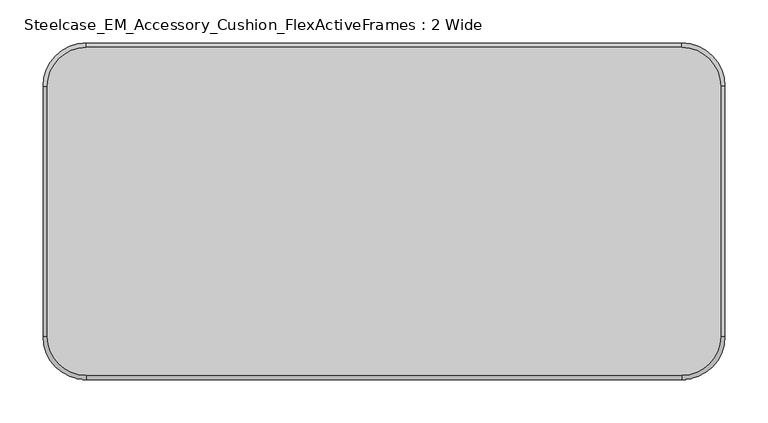
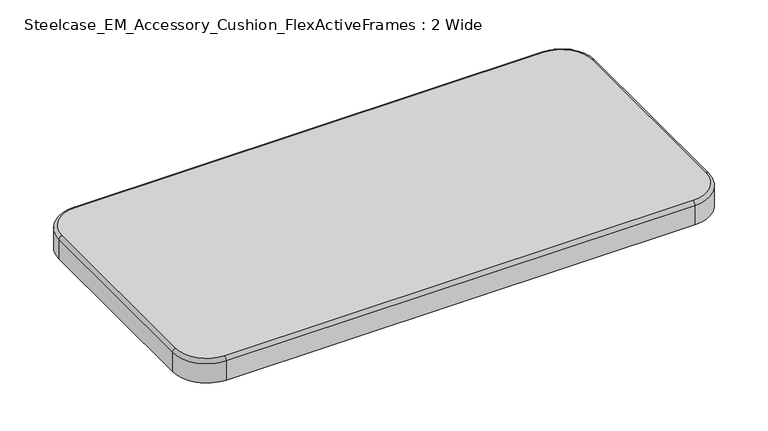
"""IFC4 building model written with IfcOpenShell, lengths in millimetres: furniture geometry, Steelcase_EM_Accessory_Cushion_FlexActiveFrames : 2 Wide."""

from ifc_helpers import new_model, si_unit, point, frame, origin, place, context, project, spatial, circle_curve, ellipse_curve, trimmed, source, transform, mapped, element, save
from ifc_brep_helpers import plane_surface, cylinder_surface, revolved_surface, advanced_brep


def steelcase_em_accessory_cushion_flexactiveframes_2_wide_175912d8(model_context):
    return source(origin(), model_context, "Body", "AdvancedBrep", [
        advanced_brep(
        [(10.0, -345.0, 552.0), (55.0, -390.0, 552.0), (745.0, -390.0, 552.0), (790.0, -345.0, 552.0), (790.0, -55.0, 552.0), (745.0, -10.0, 552.0), (55.0, -10.0, 552.0), (10.0, -55.0, 552.0), (55.0, -395.0, 517.0), (5.0, -345.0, 517.0), (5.0, -55.0, 517.0), (55.0, -5.0, 517.0), (745.0, -5.0, 517.0), (795.0, -55.0, 517.0), (795.0, -345.0, 517.0), (745.0, -395.0, 517.0), (55.0, -395.0, 547.0), (5.0, -345.0, 547.0), (745.0, -395.0, 547.0), (795.0, -345.0, 547.0), (795.0, -55.0, 547.0), (745.0, -5.0, 547.0), (55.0, -5.0, 547.0), (5.0, -55.0, 547.0)],
        [
            (0, 1, circle_curve(frame((55.0, -345.0, 552.0), z_axis=(0.0, 0.0, 1.0), x_axis=(-1.0, 0.0, 0.0)), 45.0)),
            (1, 2),
            (2, 3, circle_curve(frame((745.0, -345.0, 552.0), z_axis=(0.0, 0.0, 1.0), x_axis=(0.0, -1.0, 0.0)), 45.0)),
            (3, 4),
            (4, 5, circle_curve(frame((745.0, -55.0, 552.0), z_axis=(0.0, 0.0, 1.0), x_axis=(1.0, 0.0, 0.0)), 45.0)),
            (5, 6),
            (6, 7, circle_curve(frame((55.0, -55.0, 552.0), z_axis=(0.0, 0.0, 1.0), x_axis=(0.0, 1.0, 0.0)), 45.0)),
            (7, 0),
            (8, 9, circle_curve(frame((55.0, -345.0, 517.0), z_axis=(0.0, 0.0, -1.0), x_axis=(-1.0, 0.0, 0.0)), 50.0)),
            (9, 10),
            (10, 11, circle_curve(frame((55.0, -55.0, 517.0), z_axis=(0.0, 0.0, -1.0), x_axis=(0.0, 1.0, 0.0)), 50.0)),
            (11, 12),
            (12, 13, circle_curve(frame((745.0, -55.0, 517.0), z_axis=(0.0, 0.0, -1.0), x_axis=(1.0, 0.0, 0.0)), 50.0)),
            (13, 14),
            (14, 15, circle_curve(frame((745.0, -345.0, 517.0), z_axis=(0.0, 0.0, -1.0), x_axis=(0.0, -1.0, 0.0)), 50.0)),
            (15, 8),
            (16, 17, circle_curve(frame((55.0, -345.0, 547.0), z_axis=(0.0, 0.0, -1.0), x_axis=(-1.0, 0.0, 0.0)), 50.0)),
            (17, 9),
            (8, 16),
            (16, 1, circle_curve(frame((55.0, -390.0, 547.0), z_axis=(-1.0, 0.0, 0.0), x_axis=(0.0, 1.0, 0.0)), 5.0)),
            (0, 17, circle_curve(frame((10.0, -345.0, 547.0), z_axis=(0.0, -1.0, 0.0), x_axis=(1.0, 0.0, 0.0)), 5.0)),
            (15, 18),
            (18, 16),
            (18, 2, circle_curve(frame((745.0, -390.0, 547.0), z_axis=(-1.0, 0.0, 0.0), x_axis=(0.0, 1.0, 0.0)), 5.0)),
            (14, 19),
            (19, 18, circle_curve(frame((745.0, -345.0, 547.0), z_axis=(0.0, 0.0, -1.0), x_axis=(0.0, -1.0, 0.0)), 50.0)),
            (19, 3, circle_curve(frame((790.0, -345.0, 547.0), z_axis=(0.0, -1.0, 0.0), x_axis=(-1.0, 0.0, 0.0)), 5.0)),
            (13, 20),
            (20, 19),
            (20, 4, circle_curve(frame((790.0, -55.0, 547.0), z_axis=(0.0, -1.0, 0.0), x_axis=(-1.0, 0.0, 0.0)), 5.0)),
            (12, 21),
            (21, 20, circle_curve(frame((745.0, -55.0, 547.0), z_axis=(0.0, 0.0, -1.0), x_axis=(1.0, 0.0, 0.0)), 50.0)),
            (21, 5, circle_curve(frame((745.0, -10.0, 547.0), z_axis=(1.0, 0.0, 0.0), x_axis=(0.0, -1.0, 0.0)), 5.0)),
            (11, 22),
            (22, 21),
            (22, 6, circle_curve(frame((55.0, -10.0, 547.0), z_axis=(1.0, 0.0, 0.0), x_axis=(0.0, -1.0, 0.0)), 5.0)),
            (10, 23),
            (23, 22, circle_curve(frame((55.0, -55.0, 547.0), z_axis=(0.0, 0.0, -1.0), x_axis=(0.0, 1.0, 0.0)), 50.0)),
            (23, 7, circle_curve(frame((10.0, -55.0, 547.0), z_axis=(0.0, 1.0, 0.0), x_axis=(1.0, 0.0, 0.0)), 5.0)),
            (17, 23),
        ],
        [
            plane_surface(frame((95.0, -55.0, 552.0), z_axis=(0.0, 0.0, 1.0), x_axis=(0.0, 1.0, 0.0))),
            plane_surface(frame((95.0, -55.0, 517.0), z_axis=(0.0, 0.0, -1.0), x_axis=(0.0, -1.0, 0.0))),
            cylinder_surface(frame((55.0, -345.0, 0.0), z_axis=(0.0, 0.0, 1.0), x_axis=(-1.0, 0.0, 0.0)), 50.0),
            revolved_surface(trimmed(ellipse_curve(frame((10.0, -345.0, 547.0), z_axis=(0.0, 1.0, 0.0), x_axis=(1.0, 0.0, 0.0)), 5.0, 5.0), [point((5.0, -345.0, 547.0))], [point((10.0, -345.0, 552.0))], True, "CARTESIAN"), (55.0, -345.0, 0.0), (0.0, 0.0, 1.0)),
            plane_surface(frame((55.0, -395.0, 517.0), z_axis=(0.0, -1.0, 0.0), x_axis=(1.0, 0.0, 0.0))),
            cylinder_surface(frame((55.0, -390.0, 547.0), z_axis=(-1.0, 0.0, 0.0), x_axis=(0.0, 1.0, 0.0)), 5.0),
            cylinder_surface(frame((745.0, -345.0, 0.0), z_axis=(0.0, 0.0, 1.0), x_axis=(0.0, -1.0, 0.0)), 50.0),
            revolved_surface(trimmed(ellipse_curve(frame((745.0, -390.0, 547.0), z_axis=(-1.0, 0.0, 0.0), x_axis=(0.0, 1.0, 0.0)), 5.0, 5.0), [point((745.0, -395.0, 547.0))], [point((745.0, -390.0, 552.0))], True, "CARTESIAN"), (745.0, -345.0, 0.0), (0.0, 0.0, 1.0)),
            plane_surface(frame((795.0, -345.0, 517.0), z_axis=(1.0, 0.0, 0.0), x_axis=(0.0, 1.0, 0.0))),
            cylinder_surface(frame((790.0, -345.0, 547.0), z_axis=(0.0, -1.0, 0.0), x_axis=(-1.0, 0.0, 0.0)), 5.0),
            cylinder_surface(frame((745.0, -55.0, 0.0), z_axis=(0.0, 0.0, 1.0), x_axis=(1.0, 0.0, 0.0)), 50.0),
            revolved_surface(trimmed(ellipse_curve(frame((790.0, -55.0, 547.0), z_axis=(0.0, -1.0, 0.0), x_axis=(-1.0, 0.0, 0.0)), 5.0, 5.0), [point((795.0, -55.0, 547.0))], [point((790.0, -55.0, 552.0))], True, "CARTESIAN"), (745.0, -55.0, 0.0), (0.0, 0.0, 1.0)),
            plane_surface(frame((745.0, -5.0, 517.0), z_axis=(0.0, 1.0, 0.0), x_axis=(-1.0, 0.0, 0.0))),
            cylinder_surface(frame((745.0, -10.0, 547.0), z_axis=(1.0, 0.0, 0.0), x_axis=(0.0, -1.0, 0.0)), 5.0),
            cylinder_surface(frame((55.0, -55.0, 0.0), z_axis=(0.0, 0.0, 1.0), x_axis=(0.0, 1.0, 0.0)), 50.0),
            revolved_surface(trimmed(ellipse_curve(frame((55.0, -10.0, 547.0), z_axis=(1.0, 0.0, 0.0), x_axis=(0.0, -1.0, 0.0)), 5.0, 5.0), [point((55.0, -5.0, 547.0))], [point((55.0, -10.0, 552.0))], True, "CARTESIAN"), (55.0, -55.0, 0.0), (0.0, 0.0, 1.0)),
            plane_surface(frame((5.0, -55.0, 517.0), z_axis=(-1.0, 0.0, 0.0), x_axis=(0.0, -1.0, 0.0))),
            cylinder_surface(frame((10.0, -55.0, 547.0), z_axis=(0.0, 1.0, 0.0), x_axis=(1.0, 0.0, 0.0)), 5.0),
        ],
        [
            (0, [[1, 2, 3, 4, 5, 6, 7, 8]]),
            (1, [[9, 10, 11, 12, 13, 14, 15, 16]]),
            (2, [[17, 18, -9, 19]]),
            (3, [[-17, 20, -1, 21]]),
            (4, [[-19, -16, 22, 23]]),
            (5, [[-20, -23, 24, -2]]),
            (6, [[-22, -15, 25, 26]]),
            (7, [[-24, -26, 27, -3]]),
            (8, [[-25, -14, 28, 29]]),
            (9, [[-27, -29, 30, -4]]),
            (10, [[-28, -13, 31, 32]]),
            (11, [[-30, -32, 33, -5]]),
            (12, [[-31, -12, 34, 35]]),
            (13, [[-33, -35, 36, -6]]),
            (14, [[-34, -11, 37, 38]]),
            (15, [[-36, -38, 39, -7]]),
            (16, [[-18, 40, -37, -10]]),
            (17, [[-21, -8, -39, -40]]),
        ],
    ),
    ])


if __name__ == "__main__":
    model = new_model("IFC4")
    model_context = context("Model", 3, world=origin())
    ifc_project = project(units=[si_unit("LENGTHUNIT", "METRE", prefix="MILLI")], contexts=[model_context])
    site = spatial("IfcSite", under=ifc_project)
    building = spatial("IfcBuilding", under=site)
    placement = place(None, origin())
    steelcase_em_accessory_cushion_flexactiveframes_2_wide_shape = steelcase_em_accessory_cushion_flexactiveframes_2_wide_175912d8(model_context)
    element("IfcFurniture", 1, ObjectType="Steelcase_EM_Accessory_Cushion_FlexActiveFrames : 2 Wide", at=placement, inside=building, context=model_context, shape_type="MappedRepresentation", body=[
        mapped(steelcase_em_accessory_cushion_flexactiveframes_2_wide_shape, transform((0.0, 0.0, 0.0), x_axis=(1.0, 0.0, 0.0), y_axis=(0.0, 1.0, 0.0), z_axis=(0.0, 0.0, 1.0))),
    ])
    save(model, "model.ifc")
